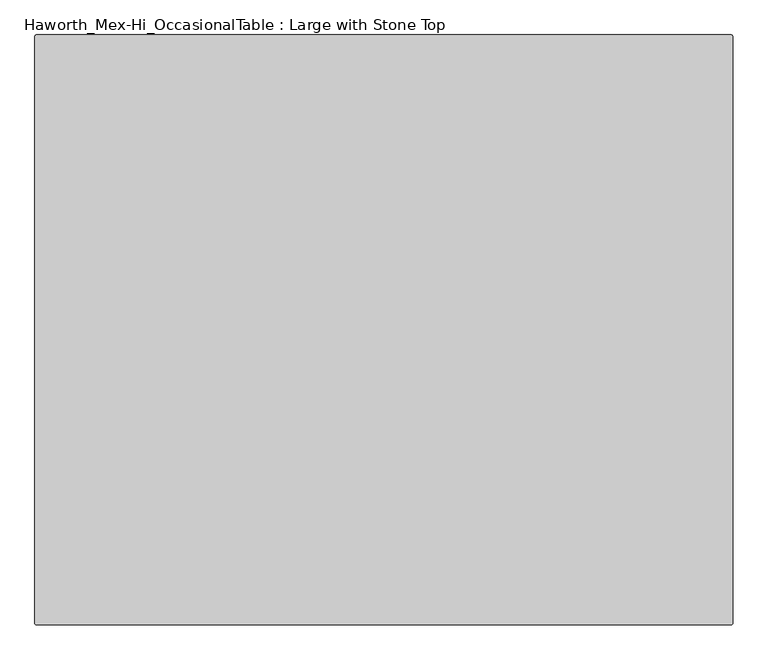
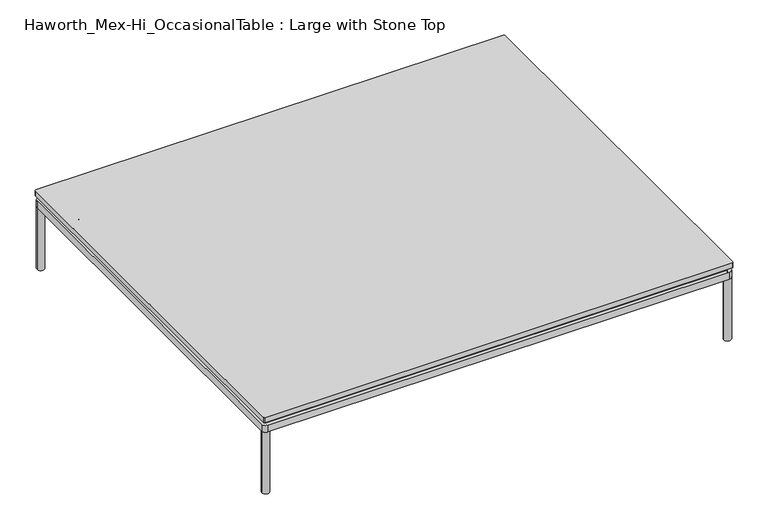
"""IFC4 building model written with IfcOpenShell, lengths in millimetres: furniture geometry, Haworth_Mex-Hi_OccasionalTable : Large with Stone Top."""

from ifc_helpers import new_model, si_unit, point, frame, frame_2d, origin, origin_with_axes, place, context, project, spatial, polyline, circle_curve, trimmed, segment, composite_curve, outline, extrude, source, transform, mapped, element, save
from ifc_brep_helpers import plane_surface, cylinder_surface, advanced_brep


def haworth_mex_hi_occasionaltable_large_with_stone_top_660dfce0(model_context):
    return source(origin(), model_context, "Body", "SolidModel", [
        extrude(outline(composite_curve([segment(trimmed(circle_curve(frame_2d((492.2547118, 255.27)), 2.54), [point((492.2547118, 257.81))], [point((494.7947118, 255.27))], False, "CARTESIAN"), True, "CONTINUOUS"), segment(polyline([(494.7947118, 255.27), (494.7947118, -839.47)]), True, "CONTINUOUS"), segment(trimmed(circle_curve(frame_2d((492.2547118, -839.47)), 2.54), [point((494.7947118, -839.47))], [point((492.2547118, -842.01))], False, "CARTESIAN"), True, "CONTINUOUS"), segment(polyline([(492.2547118, -842.01), (-803.1452882, -842.01)]), True, "CONTINUOUS"), segment(trimmed(circle_curve(frame_2d((-803.1452882, -839.47)), 2.54), [point((-803.1452882, -842.01))], [point((-805.6852882, -839.47))], False, "CARTESIAN"), True, "CONTINUOUS"), segment(polyline([(-805.6852882, -839.47), (-805.6852882, 255.27)]), True, "CONTINUOUS"), segment(trimmed(circle_curve(frame_2d((-803.1452882, 255.27)), 2.54), [point((-805.6852882, 255.27))], [point((-803.1452882, 257.81))], False, "CARTESIAN"), True, "CONTINUOUS"), segment(polyline([(-803.1452882, 257.81), (492.2547118, 257.81)]), True, "CONTINUOUS")], self_intersect=False)), frame((0.0, 0.0, 210.5656929), z_axis=(0.0, 0.0, 1.0), x_axis=(1.0, 0.0, 0.0)), (0.0, 0.0, 1.0), 15.2403071),
        extrude(outline(composite_curve([segment(trimmed(circle_curve(frame_2d((-793.7438099, 245.8600121)), 1.9413078), [point((-795.6851177, 245.8600121))], [point((-793.7438099, 247.8013198))], False, "CARTESIAN"), True, "CONTINUOUS"), segment(polyline([(-793.7438099, 247.8013198), (482.7909315, 247.8013198)]), True, "CONTINUOUS"), segment(trimmed(circle_curve(frame_2d((482.7909315, 245.7941911)), 2.0071288), [point((482.7909315, 247.8013198))], [point((484.7980603, 245.7941911))], False, "CARTESIAN"), True, "CONTINUOUS"), segment(polyline([(484.7980603, 245.7941911), (484.7980603, -830.0202885)]), True, "CONTINUOUS"), segment(trimmed(circle_curve(frame_2d((482.7963356, -830.0202885)), 2.0017246), [point((484.7980603, -830.0202885))], [point((482.7963356, -832.0220131))], False, "CARTESIAN"), True, "CONTINUOUS"), segment(polyline([(482.7963356, -832.0220131), (-793.6865391, -832.0220131)]), True, "CONTINUOUS"), segment(trimmed(circle_curve(frame_2d((-793.6865391, -830.0234345)), 1.9985786), [point((-793.6865391, -832.0220131))], [point((-795.6851177, -830.0234345))], False, "CARTESIAN"), True, "CONTINUOUS"), segment(polyline([(-795.6851177, -830.0234345), (-795.6851177, 245.8600121)]), True, "CONTINUOUS")], self_intersect=False)), frame((0.0, 0.0, 200.6639327), z_axis=(0.0, 0.0, 1.0), x_axis=(1.0, 0.0, 0.0)), (0.0, 0.0, 1.0), 8.6983971),
        extrude(outline(composite_curve([segment(trimmed(circle_curve(frame_2d((-734.5485908, -768.4918899)), 0.8405923), [point((-734.1762907, -769.2455397))], [point((-735.2478371, -768.9584197))], False, "CARTESIAN"), True, "CONTINUOUS"), segment(trimmed(circle_curve(frame_2d((-716.0123929, -752.9681431)), 25.0138214), [point((-735.2478371, -768.9584197))], [point((-739.4781008, -761.6313881))], False, "CARTESIAN"), True, "CONTINUOUS"), segment(trimmed(circle_curve(frame_2d((-738.5030497, -761.3200964)), 1.0235365), [point((-739.4781008, -761.6313881))], [point((-739.0770727, -760.472674))], False, "CARTESIAN"), True, "CONTINUOUS"), segment(trimmed(circle_curve(frame_2d((-759.3974109, -730.4740319)), 36.2330605), [point((-739.0770727, -760.472674))], [point((-723.2576556, -733.07264))], True, "CARTESIAN"), True, "CONTINUOUS"), segment(trimmed(circle_curve(frame_2d((-722.2381008, -733.1459505)), 1.0221871), [point((-723.2576556, -733.07264))], [point((-722.4469831, -732.1453333))], False, "CARTESIAN"), True, "CONTINUOUS"), segment(trimmed(circle_curve(frame_2d((-718.2244211, -752.3728401)), 20.6635442), [point((-722.4469831, -732.1453333))], [point((-714.0018591, -732.1453333))], False, "CARTESIAN"), True, "CONTINUOUS"), segment(trimmed(circle_curve(frame_2d((-714.2108273, -733.1463624)), 1.0226079), [point((-714.0018591, -732.1453333))], [point((-713.1908621, -733.072893))], False, "CARTESIAN"), True, "CONTINUOUS"), segment(trimmed(circle_curve(frame_2d((-677.8017646, -730.9076737)), 35.4552732), [point((-713.1908621, -733.072893))], [point((-697.3714482, -760.4729215))], True, "CARTESIAN"), True, "CONTINUOUS"), segment(trimmed(circle_curve(frame_2d((-697.8841782, -761.2984642)), 0.971809), [point((-697.3714482, -760.4729215))], [point((-696.9743802, -761.6400494))], False, "CARTESIAN"), True, "CONTINUOUS"), segment(trimmed(circle_curve(frame_2d((-721.1201172, -752.5744916)), 25.79149), [point((-696.9743802, -761.6400494))], [point((-701.1962454, -768.9525343))], False, "CARTESIAN"), True, "CONTINUOUS"), segment(trimmed(circle_curve(frame_2d((-701.9409291, -768.3403811)), 0.9639946), [point((-701.1962454, -768.9525343))], [point((-702.2725515, -769.2455397))], False, "CARTESIAN"), True, "CONTINUOUS"), segment(trimmed(circle_curve(frame_2d((-718.2244211, -801.5370245)), 36.0166924), [point((-702.2725515, -769.2455397))], [point((-734.1762907, -769.2455397))], True, "CARTESIAN"), True, "CONTINUOUS")], self_intersect=False)), frame((0.0, 0.0, 165.7894444), z_axis=(0.0, 0.0, 1.0), x_axis=(1.0, 0.0, 0.0)), (0.0, 0.0, 1.0), 9.7910462),
        extrude(outline(composite_curve([segment(trimmed(circle_curve(frame_2d((-718.2242758, -754.2455832)), 3.9922173), [point((-714.2320585, -754.2455832))], [point((-722.216493, -754.2455832))], False, "CARTESIAN"), True, "CONTINUOUS"), segment(trimmed(circle_curve(frame_2d((-718.2242758, -754.2455832)), 3.9922173), [point((-722.216493, -754.2455832))], [point((-714.2320585, -754.2455832))], False, "CARTESIAN"), True, "CONTINUOUS")], self_intersect=False)), frame((0.0, 0.0, 170.7645404), z_axis=(0.0, 0.0, 1.0), x_axis=(1.0, 0.0, 0.0)), (0.0, 0.0, 1.0), 38.5901772),
        extrude(outline(composite_curve([segment(trimmed(circle_curve(frame_2d((-718.2242758, -754.2455832)), 9.4525726), [point((-708.7717031, -754.2455832))], [point((-727.6768484, -754.2455832))], False, "CARTESIAN"), True, "CONTINUOUS"), segment(trimmed(circle_curve(frame_2d((-718.2242758, -754.2455832)), 9.4525726), [point((-727.6768484, -754.2455832))], [point((-708.7717031, -754.2455832))], False, "CARTESIAN"), True, "CONTINUOUS")], self_intersect=False)), frame((0.0, 0.0, 200.6639145), z_axis=(0.0, 0.0, 1.0), x_axis=(1.0, 0.0, 0.0)), (0.0, 0.0, 1.0), 5.0787766),
        extrude(outline(composite_curve([segment(trimmed(circle_curve(frame_2d((-718.2242758, -754.2455832)), 9.4525726), [point((-708.7717031, -754.2455832))], [point((-727.6768484, -754.2455832))], False, "CARTESIAN"), True, "CONTINUOUS"), segment(trimmed(circle_curve(frame_2d((-718.2242758, -754.2455832)), 9.4525726), [point((-727.6768484, -754.2455832))], [point((-708.7717031, -754.2455832))], False, "CARTESIAN"), True, "CONTINUOUS")], self_intersect=False)), frame((0.0, 0.0, 175.5804905), z_axis=(0.0, 0.0, 1.0), x_axis=(1.0, 0.0, 0.0)), (0.0, 0.0, 1.0), 5.0787766),
        extrude(outline(composite_curve([segment(trimmed(circle_curve(frame_2d((396.8166573, -801.5370245)), 36.0166924), [point((412.7685269, -769.2455397))], [point((380.8647877, -769.2455397))], True, "CARTESIAN"), True, "CONTINUOUS"), segment(trimmed(circle_curve(frame_2d((380.5331653, -768.3403811)), 0.9639946), [point((380.8647877, -769.2455397))], [point((379.7884816, -768.9525343))], False, "CARTESIAN"), True, "CONTINUOUS"), segment(trimmed(circle_curve(frame_2d((399.7123534, -752.5744916)), 25.79149), [point((379.7884816, -768.9525343))], [point((375.5666164, -761.6400494))], False, "CARTESIAN"), True, "CONTINUOUS"), segment(trimmed(circle_curve(frame_2d((376.4764144, -761.2984642)), 0.971809), [point((375.5666164, -761.6400494))], [point((375.9636844, -760.4729215))], False, "CARTESIAN"), True, "CONTINUOUS"), segment(trimmed(circle_curve(frame_2d((356.3940008, -730.9076737)), 35.4552732), [point((375.9636844, -760.4729215))], [point((391.7830983, -733.072893))], True, "CARTESIAN"), True, "CONTINUOUS"), segment(trimmed(circle_curve(frame_2d((392.8030635, -733.1463624)), 1.0226079), [point((391.7830983, -733.072893))], [point((392.5940953, -732.1453333))], False, "CARTESIAN"), True, "CONTINUOUS"), segment(trimmed(circle_curve(frame_2d((396.8166573, -752.3728401)), 20.6635442), [point((392.5940953, -732.1453333))], [point((401.0392193, -732.1453333))], False, "CARTESIAN"), True, "CONTINUOUS"), segment(trimmed(circle_curve(frame_2d((400.830337, -733.1459505)), 1.0221871), [point((401.0392193, -732.1453333))], [point((401.8498918, -733.07264))], False, "CARTESIAN"), True, "CONTINUOUS"), segment(trimmed(circle_curve(frame_2d((437.9896471, -730.4740319)), 36.2330605), [point((401.8498918, -733.07264))], [point((417.6693089, -760.472674))], True, "CARTESIAN"), True, "CONTINUOUS"), segment(trimmed(circle_curve(frame_2d((417.0952859, -761.3200964)), 1.0235365), [point((417.6693089, -760.472674))], [point((418.070337, -761.6313881))], False, "CARTESIAN"), True, "CONTINUOUS"), segment(trimmed(circle_curve(frame_2d((394.604629, -752.9681431)), 25.0138214), [point((418.070337, -761.6313881))], [point((413.8400733, -768.9584197))], False, "CARTESIAN"), True, "CONTINUOUS"), segment(trimmed(circle_curve(frame_2d((413.140827, -768.4918899)), 0.8405923), [point((413.8400733, -768.9584197))], [point((412.7685269, -769.2455397))], False, "CARTESIAN"), True, "CONTINUOUS")], self_intersect=False)), frame((0.0, 0.0, 165.7894444), z_axis=(0.0, 0.0, 1.0), x_axis=(1.0, 0.0, 0.0)), (0.0, 0.0, 1.0), 9.7910462),
        extrude(outline(composite_curve([segment(trimmed(circle_curve(frame_2d((396.816512, -754.2455832)), 3.9922173), [point((392.8242947, -754.2455832))], [point((400.8087292, -754.2455832))], False, "CARTESIAN"), True, "CONTINUOUS"), segment(trimmed(circle_curve(frame_2d((396.816512, -754.2455832)), 3.9922173), [point((400.8087292, -754.2455832))], [point((392.8242947, -754.2455832))], False, "CARTESIAN"), True, "CONTINUOUS")], self_intersect=False)), frame((0.0, 0.0, 170.7645404), z_axis=(0.0, 0.0, 1.0), x_axis=(1.0, 0.0, 0.0)), (0.0, 0.0, 1.0), 38.5901772),
        extrude(outline(composite_curve([segment(trimmed(circle_curve(frame_2d((396.816512, -754.2455832)), 9.4525726), [point((387.3639393, -754.2455832))], [point((406.2690846, -754.2455832))], False, "CARTESIAN"), True, "CONTINUOUS"), segment(trimmed(circle_curve(frame_2d((396.816512, -754.2455832)), 9.4525726), [point((406.2690846, -754.2455832))], [point((387.3639393, -754.2455832))], False, "CARTESIAN"), True, "CONTINUOUS")], self_intersect=False)), frame((0.0, 0.0, 200.6639145), z_axis=(0.0, 0.0, 1.0), x_axis=(1.0, 0.0, 0.0)), (0.0, 0.0, 1.0), 5.0787766),
        extrude(outline(composite_curve([segment(trimmed(circle_curve(frame_2d((396.816512, -754.2455832)), 9.4525726), [point((387.3639393, -754.2455832))], [point((406.2690846, -754.2455832))], False, "CARTESIAN"), True, "CONTINUOUS"), segment(trimmed(circle_curve(frame_2d((396.816512, -754.2455832)), 9.4525726), [point((406.2690846, -754.2455832))], [point((387.3639393, -754.2455832))], False, "CARTESIAN"), True, "CONTINUOUS")], self_intersect=False)), frame((0.0, 0.0, 175.5804905), z_axis=(0.0, 0.0, 1.0), x_axis=(1.0, 0.0, 0.0)), (0.0, 0.0, 1.0), 5.0787766),
        extrude(outline(composite_curve([segment(trimmed(circle_curve(frame_2d((-734.5485908, 155.518788)), 0.8405923), [point((-734.1762907, 154.7651382))], [point((-735.2478371, 155.0522582))], False, "CARTESIAN"), True, "CONTINUOUS"), segment(trimmed(circle_curve(frame_2d((-716.0123929, 171.0425348)), 25.0138214), [point((-735.2478371, 155.0522582))], [point((-739.4781008, 162.3792898))], False, "CARTESIAN"), True, "CONTINUOUS"), segment(trimmed(circle_curve(frame_2d((-738.5030497, 162.6905815)), 1.0235365), [point((-739.4781008, 162.3792898))], [point((-739.0770727, 163.5380039))], False, "CARTESIAN"), True, "CONTINUOUS"), segment(trimmed(circle_curve(frame_2d((-759.3974109, 193.536646)), 36.2330605), [point((-739.0770727, 163.5380039))], [point((-723.2576556, 190.9380379))], True, "CARTESIAN"), True, "CONTINUOUS"), segment(trimmed(circle_curve(frame_2d((-722.2381008, 190.8647274)), 1.0221871), [point((-723.2576556, 190.9380379))], [point((-722.4469831, 191.8653446))], False, "CARTESIAN"), True, "CONTINUOUS"), segment(trimmed(circle_curve(frame_2d((-718.2244211, 171.6378378)), 20.6635442), [point((-722.4469831, 191.8653446))], [point((-714.0018591, 191.8653446))], False, "CARTESIAN"), True, "CONTINUOUS"), segment(trimmed(circle_curve(frame_2d((-714.2108273, 190.8643155)), 1.0226079), [point((-714.0018591, 191.8653446))], [point((-713.1908621, 190.9377849))], False, "CARTESIAN"), True, "CONTINUOUS"), segment(trimmed(circle_curve(frame_2d((-677.8017646, 193.1030042)), 35.4552732), [point((-713.1908621, 190.9377849))], [point((-697.3714482, 163.5377564))], True, "CARTESIAN"), True, "CONTINUOUS"), segment(trimmed(circle_curve(frame_2d((-697.8841782, 162.7122137)), 0.971809), [point((-697.3714482, 163.5377564))], [point((-696.9743802, 162.3706285))], False, "CARTESIAN"), True, "CONTINUOUS"), segment(trimmed(circle_curve(frame_2d((-721.1201172, 171.4361863)), 25.79149), [point((-696.9743802, 162.3706285))], [point((-701.1962454, 155.0581436))], False, "CARTESIAN"), True, "CONTINUOUS"), segment(trimmed(circle_curve(frame_2d((-701.9409291, 155.6702968)), 0.9639946), [point((-701.1962454, 155.0581436))], [point((-702.2725515, 154.7651382))], False, "CARTESIAN"), True, "CONTINUOUS"), segment(trimmed(circle_curve(frame_2d((-718.2244211, 122.4736534)), 36.0166924), [point((-702.2725515, 154.7651382))], [point((-734.1762907, 154.7651382))], True, "CARTESIAN"), True, "CONTINUOUS")], self_intersect=False)), frame((0.0, 0.0, 165.7894444), z_axis=(0.0, 0.0, 1.0), x_axis=(1.0, 0.0, 0.0)), (0.0, 0.0, 1.0), 9.7910462),
        extrude(outline(composite_curve([segment(trimmed(circle_curve(frame_2d((-718.2242758, 169.7650947)), 3.9922173), [point((-714.2320585, 169.7650947))], [point((-722.216493, 169.7650947))], False, "CARTESIAN"), True, "CONTINUOUS"), segment(trimmed(circle_curve(frame_2d((-718.2242758, 169.7650947)), 3.9922173), [point((-722.216493, 169.7650947))], [point((-714.2320585, 169.7650947))], False, "CARTESIAN"), True, "CONTINUOUS")], self_intersect=False)), frame((0.0, 0.0, 170.7645404), z_axis=(0.0, 0.0, 1.0), x_axis=(1.0, 0.0, 0.0)), (0.0, 0.0, 1.0), 38.5901772),
        extrude(outline(composite_curve([segment(trimmed(circle_curve(frame_2d((-718.2242758, 169.7650947)), 9.4525726), [point((-708.7717031, 169.7650947))], [point((-727.6768484, 169.7650947))], False, "CARTESIAN"), True, "CONTINUOUS"), segment(trimmed(circle_curve(frame_2d((-718.2242758, 169.7650947)), 9.4525726), [point((-727.6768484, 169.7650947))], [point((-708.7717031, 169.7650947))], False, "CARTESIAN"), True, "CONTINUOUS")], self_intersect=False)), frame((0.0, 0.0, 200.6639145), z_axis=(0.0, 0.0, 1.0), x_axis=(1.0, 0.0, 0.0)), (0.0, 0.0, 1.0), 5.0787766),
        extrude(outline(composite_curve([segment(trimmed(circle_curve(frame_2d((-718.2242758, 169.7650947)), 9.4525726), [point((-708.7717031, 169.7650947))], [point((-727.6768484, 169.7650947))], False, "CARTESIAN"), True, "CONTINUOUS"), segment(trimmed(circle_curve(frame_2d((-718.2242758, 169.7650947)), 9.4525726), [point((-727.6768484, 169.7650947))], [point((-708.7717031, 169.7650947))], False, "CARTESIAN"), True, "CONTINUOUS")], self_intersect=False)), frame((0.0, 0.0, 175.5804905), z_axis=(0.0, 0.0, 1.0), x_axis=(1.0, 0.0, 0.0)), (0.0, 0.0, 1.0), 5.0787766),
        advanced_brep(
        [(387.3639393, 169.7650947, 180.6592671), (406.2690846, 169.7650947, 180.6592671), (400.8087292, 169.7650947, 180.6592671), (392.8242947, 169.7650947, 180.6592671), (387.3639393, 169.7650947, 175.5804905), (406.2690846, 169.7650947, 175.5804905), (392.8242947, 169.7650947, 175.5804905), (400.8087292, 169.7650947, 175.5804905), (387.3639393, 169.7650947, 205.742691), (406.2690846, 169.7650947, 205.742691), (400.8087292, 169.7650947, 205.742691), (392.8242947, 169.7650947, 205.742691), (387.3639393, 169.7650947, 200.6639145), (406.2690846, 169.7650947, 200.6639145), (392.8242947, 169.7650947, 200.6639145), (400.8087292, 169.7650947, 200.6639145), (392.8242947, 169.7650947, 209.3547176), (400.8087292, 169.7650947, 209.3547176), (392.8242947, 169.7650947, 170.7645404), (400.8087292, 169.7650947, 170.7645404)],
        [
            (0, 1, circle_curve(frame((396.816512, 169.7650947, 180.6592671), z_axis=(0.0, 0.0, 1.0), x_axis=(1.0, 0.0, 0.0)), 9.4525726)),
            (1, 0, circle_curve(frame((396.816512, 169.7650947, 180.6592671), z_axis=(0.0, 0.0, 1.0), x_axis=(1.0, 0.0, 0.0)), 9.4525726)),
            (2, 3, circle_curve(frame((396.816512, 169.7650947, 180.6592671), z_axis=(0.0, 0.0, -1.0), x_axis=(1.0, 0.0, 0.0)), 3.9922173)),
            (3, 2, circle_curve(frame((396.816512, 169.7650947, 180.6592671), z_axis=(0.0, 0.0, -1.0), x_axis=(1.0, 0.0, 0.0)), 3.9922173)),
            (4, 5, circle_curve(frame((396.816512, 169.7650947, 175.5804905), z_axis=(0.0, 0.0, -1.0), x_axis=(1.0, 0.0, 0.0)), 9.4525726)),
            (5, 4, circle_curve(frame((396.816512, 169.7650947, 175.5804905), z_axis=(0.0, 0.0, -1.0), x_axis=(1.0, 0.0, 0.0)), 9.4525726)),
            (6, 7, circle_curve(frame((396.816512, 169.7650947, 175.5804905), z_axis=(0.0, 0.0, 1.0), x_axis=(1.0, 0.0, 0.0)), 3.9922173)),
            (7, 6, circle_curve(frame((396.816512, 169.7650947, 175.5804905), z_axis=(0.0, 0.0, 1.0), x_axis=(1.0, 0.0, 0.0)), 3.9922173)),
            (0, 4),
            (5, 1),
            (8, 9, circle_curve(frame((396.816512, 169.7650947, 205.742691), z_axis=(0.0, 0.0, 1.0), x_axis=(1.0, 0.0, 0.0)), 9.4525726)),
            (9, 8, circle_curve(frame((396.816512, 169.7650947, 205.742691), z_axis=(0.0, 0.0, 1.0), x_axis=(1.0, 0.0, 0.0)), 9.4525726)),
            (10, 11, circle_curve(frame((396.816512, 169.7650947, 205.742691), z_axis=(0.0, 0.0, -1.0), x_axis=(1.0, 0.0, 0.0)), 3.9922173)),
            (11, 10, circle_curve(frame((396.816512, 169.7650947, 205.742691), z_axis=(0.0, 0.0, -1.0), x_axis=(1.0, 0.0, 0.0)), 3.9922173)),
            (12, 13, circle_curve(frame((396.816512, 169.7650947, 200.6639145), z_axis=(0.0, 0.0, -1.0), x_axis=(1.0, 0.0, 0.0)), 9.4525726)),
            (13, 12, circle_curve(frame((396.816512, 169.7650947, 200.6639145), z_axis=(0.0, 0.0, -1.0), x_axis=(1.0, 0.0, 0.0)), 9.4525726)),
            (14, 15, circle_curve(frame((396.816512, 169.7650947, 200.6639145), z_axis=(0.0, 0.0, 1.0), x_axis=(1.0, 0.0, 0.0)), 3.9922173)),
            (15, 14, circle_curve(frame((396.816512, 169.7650947, 200.6639145), z_axis=(0.0, 0.0, 1.0), x_axis=(1.0, 0.0, 0.0)), 3.9922173)),
            (8, 12),
            (13, 9),
            (16, 17, circle_curve(frame((396.816512, 169.7650947, 209.3547176), z_axis=(0.0, 0.0, 1.0), x_axis=(1.0, 0.0, 0.0)), 3.9922173)),
            (17, 16, circle_curve(frame((396.816512, 169.7650947, 209.3547176), z_axis=(0.0, 0.0, 1.0), x_axis=(1.0, 0.0, 0.0)), 3.9922173)),
            (18, 19, circle_curve(frame((396.816512, 169.7650947, 170.7645404), z_axis=(0.0, 0.0, -1.0), x_axis=(1.0, 0.0, 0.0)), 3.9922173)),
            (19, 18, circle_curve(frame((396.816512, 169.7650947, 170.7645404), z_axis=(0.0, 0.0, -1.0), x_axis=(1.0, 0.0, 0.0)), 3.9922173)),
            (16, 11),
            (10, 17),
            (19, 7),
            (6, 18),
            (14, 3),
            (2, 15),
        ],
        [
            plane_surface(frame((406.2690846, 169.7650947, 180.6592671), z_axis=(0.0, 0.0, 1.0), x_axis=(0.0, 1.0, 0.0))),
            plane_surface(frame((406.2690846, 169.7650947, 175.5804905), z_axis=(0.0, 0.0, -1.0), x_axis=(0.0, -1.0, 0.0))),
            cylinder_surface(frame((396.816512, 169.7650947, 175.5804905), z_axis=(0.0, 0.0, 1.0), x_axis=(1.0, 0.0, 0.0)), 9.4525726),
            plane_surface(frame((406.2690846, 169.7650947, 205.742691), z_axis=(0.0, 0.0, 1.0), x_axis=(0.0, 1.0, 0.0))),
            plane_surface(frame((406.2690846, 169.7650947, 200.6639145), z_axis=(0.0, 0.0, -1.0), x_axis=(0.0, -1.0, 0.0))),
            cylinder_surface(frame((396.816512, 169.7650947, 200.6639145), z_axis=(0.0, 0.0, 1.0), x_axis=(1.0, 0.0, 0.0)), 9.4525726),
            plane_surface(frame((400.8087292, 169.7650947, 209.3547176), z_axis=(0.0, 0.0, 1.0), x_axis=(0.0, 1.0, 0.0))),
            plane_surface(frame((400.8087292, 169.7650947, 170.7645404), z_axis=(0.0, 0.0, -1.0), x_axis=(0.0, -1.0, 0.0))),
            cylinder_surface(frame((396.816512, 169.7650947, 170.7645404), z_axis=(0.0, 0.0, 1.0), x_axis=(1.0, 0.0, 0.0)), 3.9922173),
        ],
        [
            (0, [[1, 2], [3, 4]]),
            (1, [[5, 6], [7, 8]]),
            (2, [[-1, 9, -6, 10]]),
            (2, [[-2, -10, -5, -9]]),
            (3, [[11, 12], [13, 14]]),
            (4, [[15, 16], [17, 18]]),
            (5, [[-11, 19, -16, 20]]),
            (5, [[-12, -20, -15, -19]]),
            (6, [[21, 22]]),
            (7, [[23, 24]]),
            (8, [[-21, 25, -13, 26]]),
            (8, [[-24, 27, -7, 28]]),
            (8, [[29, -3, 30, -17]]),
            (8, [[-22, -26, -14, -25]]),
            (8, [[-23, -28, -8, -27]]),
            (8, [[-29, -18, -30, -4]]),
        ],
    ),
        extrude(outline(composite_curve([segment(trimmed(circle_curve(frame_2d((396.8166573, 122.4736534)), 36.0166924), [point((412.7685269, 154.7651382))], [point((380.8647877, 154.7651382))], True, "CARTESIAN"), True, "CONTINUOUS"), segment(trimmed(circle_curve(frame_2d((380.5331653, 155.6702968)), 0.9639946), [point((380.8647877, 154.7651382))], [point((379.7884816, 155.0581436))], False, "CARTESIAN"), True, "CONTINUOUS"), segment(trimmed(circle_curve(frame_2d((399.7123534, 171.4361863)), 25.79149), [point((379.7884816, 155.0581436))], [point((375.5666164, 162.3706285))], False, "CARTESIAN"), True, "CONTINUOUS"), segment(trimmed(circle_curve(frame_2d((376.4764144, 162.7122137)), 0.971809), [point((375.5666164, 162.3706285))], [point((375.9636844, 163.5377564))], False, "CARTESIAN"), True, "CONTINUOUS"), segment(trimmed(circle_curve(frame_2d((356.3940008, 193.1030042)), 35.4552732), [point((375.9636844, 163.5377564))], [point((391.7830983, 190.9377849))], True, "CARTESIAN"), True, "CONTINUOUS"), segment(trimmed(circle_curve(frame_2d((392.8030635, 190.8643155)), 1.0226079), [point((391.7830983, 190.9377849))], [point((392.5940953, 191.8653446))], False, "CARTESIAN"), True, "CONTINUOUS"), segment(trimmed(circle_curve(frame_2d((396.8166573, 171.6378378)), 20.6635442), [point((392.5940953, 191.8653446))], [point((401.0392193, 191.8653446))], False, "CARTESIAN"), True, "CONTINUOUS"), segment(trimmed(circle_curve(frame_2d((400.830337, 190.8647274)), 1.0221871), [point((401.0392193, 191.8653446))], [point((401.8498918, 190.9380379))], False, "CARTESIAN"), True, "CONTINUOUS"), segment(trimmed(circle_curve(frame_2d((437.9896471, 193.536646)), 36.2330605), [point((401.8498918, 190.9380379))], [point((417.6693089, 163.5380039))], True, "CARTESIAN"), True, "CONTINUOUS"), segment(trimmed(circle_curve(frame_2d((417.0952859, 162.6905815)), 1.0235365), [point((417.6693089, 163.5380039))], [point((418.070337, 162.3792898))], False, "CARTESIAN"), True, "CONTINUOUS"), segment(trimmed(circle_curve(frame_2d((394.604629, 171.0425348)), 25.0138214), [point((418.070337, 162.3792898))], [point((413.8400733, 155.0522582))], False, "CARTESIAN"), True, "CONTINUOUS"), segment(trimmed(circle_curve(frame_2d((413.140827, 155.518788)), 0.8405923), [point((413.8400733, 155.0522582))], [point((412.7685269, 154.7651382))], False, "CARTESIAN"), True, "CONTINUOUS")], self_intersect=False)), frame((0.0, 0.0, 165.7894444), z_axis=(0.0, 0.0, 1.0), x_axis=(1.0, 0.0, 0.0)), (0.0, 0.0, 1.0), 9.7910462),
        extrude(outline(polyline([(454.7958218, -738.9854681), (454.7958218, -769.2455397), (-765.6834606, -769.2455397), (-765.6834606, -738.9854681), (454.7958218, -738.9854681)])), frame((0.0, 0.0, 182.5080096), z_axis=(0.0, 0.0, 1.0), x_axis=(1.0, 0.0, 0.0)), (0.0, 0.0, 1.0), 18.1559049),
        extrude(outline(polyline([(454.7958218, -537.2533049), (454.7958218, -567.5133765), (-765.6834606, -567.5133765), (-765.6834606, -537.2533049), (454.7958218, -537.2533049)])), frame((0.0, 0.0, 182.5080096), z_axis=(0.0, 0.0, 1.0), x_axis=(1.0, 0.0, 0.0)), (0.0, 0.0, 1.0), 18.1559049),
        extrude(outline(polyline([(454.7958218, -335.4707087), (454.7958218, -365.7307803), (-765.6834606, -365.7307803), (-765.6834606, -335.4707087), (454.7958218, -335.4707087)])), frame((0.0, 0.0, 182.5080096), z_axis=(0.0, 0.0, 1.0), x_axis=(1.0, 0.0, 0.0)), (0.0, 0.0, 1.0), 18.1559049),
        extrude(outline(polyline([(454.7958218, 185.0252098), (454.7958218, 154.7651382), (-765.6834606, 154.7651382), (-765.6834606, 185.0252098), (454.7958218, 185.0252098)])), frame((0.0, 0.0, 182.5080096), z_axis=(0.0, 0.0, 1.0), x_axis=(1.0, 0.0, 0.0)), (0.0, 0.0, 1.0), 18.1559049),
        extrude(outline(polyline([(190.6386208, 160.3135818), (-774.9557372, 160.3137453), (-802.0272233, 176.9731213), (-802.0272233, 200.6601021), (-769.245576, 180.4867667), (185.0247737, 180.4866032), (217.8063484, 200.6598086), (217.8063484, 177.0397933), (190.6386208, 160.3135818)])), frame((-170.5782154, 0.0, 0.0), z_axis=(1.0, 0.0, 0.0), x_axis=(0.0, 1.0, 0.0)), (0.0, 0.0, 1.0), 30.2599248),
        extrude(outline(composite_curve([segment(trimmed(circle_curve(frame_2d((484.6347118, 247.65)), 10.16), [point((484.6347118, 257.81))], [point((494.7947118, 247.65))], False, "CARTESIAN"), True, "CONTINUOUS"), segment(polyline([(494.7947118, 247.65), (494.7947118, -831.85)]), True, "CONTINUOUS"), segment(trimmed(circle_curve(frame_2d((484.6347118, -831.85)), 10.16), [point((494.7947118, -831.85))], [point((484.6347118, -842.01))], False, "CARTESIAN"), True, "CONTINUOUS"), segment(polyline([(484.6347118, -842.01), (-795.5252882, -842.01)]), True, "CONTINUOUS"), segment(trimmed(circle_curve(frame_2d((-795.5252882, -831.85)), 10.16), [point((-795.5252882, -842.01))], [point((-805.6852882, -831.85))], False, "CARTESIAN"), True, "CONTINUOUS"), segment(polyline([(-805.6852882, -831.85), (-805.6852882, 247.65)]), True, "CONTINUOUS"), segment(trimmed(circle_curve(frame_2d((-795.5252882, 247.65)), 10.16), [point((-805.6852882, 247.65))], [point((-795.5252882, 257.81))], False, "CARTESIAN"), True, "CONTINUOUS"), segment(polyline([(-795.5252882, 257.81), (484.6347118, 257.81)]), True, "CONTINUOUS")], self_intersect=False), holes=[composite_curve([segment(polyline([(-793.6865391, -832.0220131), (482.7963356, -832.0220131)]), True, "CONTINUOUS"), segment(trimmed(circle_curve(frame_2d((482.7963356, -830.0202885)), 2.0017246), [point((482.7963356, -832.0220131))], [point((484.7980603, -830.0202885))], True, "CARTESIAN"), True, "CONTINUOUS"), segment(polyline([(484.7980603, -830.0202885), (484.7980603, 245.7941911)]), True, "CONTINUOUS"), segment(trimmed(circle_curve(frame_2d((482.7909315, 245.7941911)), 2.0071288), [point((484.7980603, 245.7941911))], [point((482.7909315, 247.8013198))], True, "CARTESIAN"), True, "CONTINUOUS"), segment(polyline([(482.7909315, 247.8013198), (-793.7438099, 247.8013198)]), True, "CONTINUOUS"), segment(trimmed(circle_curve(frame_2d((-793.7438099, 245.8600121)), 1.9413078), [point((-793.7438099, 247.8013198))], [point((-795.6851177, 245.8600121))], True, "CARTESIAN"), True, "CONTINUOUS"), segment(polyline([(-795.6851177, 245.8600121), (-795.6851177, -830.0234345)]), True, "CONTINUOUS"), segment(trimmed(circle_curve(frame_2d((-793.6865391, -830.0234345)), 1.9985786), [point((-795.6851177, -830.0234345))], [point((-793.6865391, -832.0220131))], True, "CARTESIAN"), True, "CONTINUOUS")], self_intersect=False)]), frame((0.0, 0.0, 180.8301142), z_axis=(0.0, 0.0, 1.0), x_axis=(1.0, 0.0, 0.0)), (0.0, 0.0, 1.0), 19.8338184),
        extrude(outline(composite_curve([segment(polyline([(482.8193838, -831.0234549), (-793.6852152, -831.0234549)]), True, "CONTINUOUS"), segment(trimmed(circle_curve(frame_2d((-793.6852152, -830.022038)), 1.0014169), [point((-793.6852152, -831.0234549))], [point((-794.6866321, -830.022038))], False, "CARTESIAN"), True, "CONTINUOUS"), segment(polyline([(-794.6866321, -830.022038), (-794.6866321, 245.7403667)]), True, "CONTINUOUS"), segment(trimmed(circle_curve(frame_2d((-793.6243099, 245.7403667)), 1.0623222), [point((-794.6866321, 245.7403667))], [point((-793.62431, 246.8026889))], False, "CARTESIAN"), True, "CONTINUOUS"), segment(polyline([(-793.62431, 246.8026889), (482.8079882, 246.8028345)]), True, "CONTINUOUS"), segment(trimmed(circle_curve(frame_2d((482.8079882, 245.811248)), 0.9915865), [point((482.8079882, 246.8028345))], [point((483.7995747, 245.811248))], False, "CARTESIAN"), True, "CONTINUOUS"), segment(polyline([(483.7995747, 245.811248), (483.7995747, -830.043264)]), True, "CONTINUOUS"), segment(trimmed(circle_curve(frame_2d((482.8193838, -830.043264)), 0.9801909), [point((483.7995747, -830.043264))], [point((482.8193838, -831.0234549))], False, "CARTESIAN"), True, "CONTINUOUS")], self_intersect=False), holes=[composite_curve([segment(polyline([(467.7876141, 232.8228736), (-778.6802636, 232.8228736)]), True, "CONTINUOUS"), segment(trimmed(circle_curve(frame_2d((-778.6802636, 230.7964657)), 2.0264079), [point((-778.6802636, 232.8228736))], [point((-780.7066715, 230.7964657))], True, "CARTESIAN"), True, "CONTINUOUS"), segment(polyline([(-780.7066715, 230.7964657), (-780.7066715, -814.9889467)]), True, "CONTINUOUS"), segment(trimmed(circle_curve(frame_2d((-778.6520513, -814.9889467)), 2.0546202), [point((-780.7066715, -814.9889467))], [point((-778.652051, -817.0435669))], True, "CARTESIAN"), True, "CONTINUOUS"), segment(polyline([(-778.652051, -817.0435669), (467.8179778, -817.0437486)]), True, "CONTINUOUS"), segment(trimmed(circle_curve(frame_2d((467.8179778, -815.0418214)), 2.0019272), [point((467.8179778, -817.0437486))], [point((469.819905, -815.0418208))], True, "CARTESIAN"), True, "CONTINUOUS"), segment(polyline([(469.819905, -815.0418208), (469.8196141, 230.7908742)]), True, "CONTINUOUS"), segment(trimmed(circle_curve(frame_2d((467.7876141, 230.7908736)), 2.032), [point((469.8196141, 230.7908742))], [point((467.7876141, 232.8228736))], True, "CARTESIAN"), True, "CONTINUOUS")], self_intersect=False)]), frame((0.0, 0.0, 180.8301142), z_axis=(0.0, 0.0, 1.0), x_axis=(1.0, 0.0, 0.0)), (0.0, 0.0, 1.0), 19.8338184),
        extrude(outline(composite_curve([segment(trimmed(circle_curve(frame_2d((467.7876141, 230.7908736)), 2.032), [point((467.7876141, 232.8228736))], [point((469.8196141, 230.7908742))], False, "CARTESIAN"), True, "CONTINUOUS"), segment(polyline([(469.8196141, 230.7908742), (469.8199045, -815.0418208)]), True, "CONTINUOUS"), segment(trimmed(circle_curve(frame_2d((467.8179772, -815.0418214)), 2.0019272), [point((469.8199045, -815.0418208))], [point((467.8179775, -817.0437486))], False, "CARTESIAN"), True, "CONTINUOUS"), segment(polyline([(467.8179775, -817.0437486), (-778.652051, -817.0435669)]), True, "CONTINUOUS"), segment(trimmed(circle_curve(frame_2d((-778.6520507, -814.9889461)), 2.0546208), [point((-778.652051, -817.0435669))], [point((-780.7066715, -814.9889461))], False, "CARTESIAN"), True, "CONTINUOUS"), segment(polyline([(-780.7066715, -814.9889461), (-780.7066715, 230.7964657)]), True, "CONTINUOUS"), segment(trimmed(circle_curve(frame_2d((-778.6802636, 230.7964657)), 2.0264079), [point((-780.7066715, 230.7964657))], [point((-778.6802636, 232.8228736))], False, "CARTESIAN"), True, "CONTINUOUS"), segment(polyline([(-778.6802636, 232.8228736), (467.7876141, 232.8228736)]), True, "CONTINUOUS")], self_intersect=False), holes=[polyline([(-765.6831699, -802.0272233), (454.7961125, -802.026969), (454.7958218, 217.8060577), (-765.6831699, 217.8063484), (-765.6831699, -802.0272233)])]), frame((0.0, 0.0, 180.8301142), z_axis=(0.0, 0.0, 1.0), x_axis=(1.0, 0.0, 0.0)), (0.0, 0.0, 1.0), 19.8336913),
        extrude(outline(composite_curve([segment(trimmed(circle_curve(frame_2d((484.7983509, -832.0220858)), 9.92796), [point((474.8703909, -832.0220858))], [point((494.726311, -832.0220858))], False, "CARTESIAN"), True, "CONTINUOUS"), segment(trimmed(circle_curve(frame_2d((484.7983509, -832.0220858)), 9.92796), [point((494.726311, -832.0220858))], [point((474.8703909, -832.0220858))], False, "CARTESIAN"), True, "CONTINUOUS")], self_intersect=False)), origin_with_axes(), (0.0, 0.0, 1.0), 180.8301142),
        extrude(outline(composite_curve([segment(trimmed(circle_curve(frame_2d((-795.6889272, -832.0220858)), 9.92796), [point((-805.6168873, -832.0220858))], [point((-785.7609672, -832.0220858))], False, "CARTESIAN"), True, "CONTINUOUS"), segment(trimmed(circle_curve(frame_2d((-795.6889272, -832.0220858)), 9.92796), [point((-785.7609672, -832.0220858))], [point((-805.6168873, -832.0220858))], False, "CARTESIAN"), True, "CONTINUOUS")], self_intersect=False)), origin_with_axes(), (0.0, 0.0, 1.0), 180.8301142),
        extrude(outline(composite_curve([segment(trimmed(circle_curve(frame_2d((484.7983509, 247.8220858)), 9.92796), [point((474.8703909, 247.8220858))], [point((494.726311, 247.8220858))], False, "CARTESIAN"), True, "CONTINUOUS"), segment(trimmed(circle_curve(frame_2d((484.7983509, 247.8220858)), 9.92796), [point((494.726311, 247.8220858))], [point((474.8703909, 247.8220858))], False, "CARTESIAN"), True, "CONTINUOUS")], self_intersect=False)), origin_with_axes(), (0.0, 0.0, 1.0), 180.8301142),
        extrude(outline(composite_curve([segment(trimmed(circle_curve(frame_2d((-795.6889272, 247.8220858)), 9.92796), [point((-805.6168873, 247.8220858))], [point((-785.7609672, 247.8220858))], False, "CARTESIAN"), True, "CONTINUOUS"), segment(trimmed(circle_curve(frame_2d((-795.6889272, 247.8220858)), 9.92796), [point((-785.7609672, 247.8220858))], [point((-805.6168873, 247.8220858))], False, "CARTESIAN"), True, "CONTINUOUS")], self_intersect=False)), origin_with_axes(), (0.0, 0.0, 1.0), 180.8301142),
    ])


if __name__ == "__main__":
    model = new_model("IFC4")
    model_context = context("Model", 3, world=origin())
    ifc_project = project(units=[si_unit("LENGTHUNIT", "METRE", prefix="MILLI")], contexts=[model_context])
    site = spatial("IfcSite", under=ifc_project)
    building = spatial("IfcBuilding", under=site)
    placement = place(None, origin())
    haworth_mex_hi_occasionaltable_large_with_stone_top_shape = haworth_mex_hi_occasionaltable_large_with_stone_top_660dfce0(model_context)
    element("IfcFurniture", 1, ObjectType="Haworth_Mex-Hi_OccasionalTable : Large with Stone Top", at=placement, inside=building, context=model_context, shape_type="MappedRepresentation", body=[
        mapped(haworth_mex_hi_occasionaltable_large_with_stone_top_shape, transform((0.0, 0.0, 0.0), x_axis=(1.0, 0.0, 0.0), y_axis=(0.0, 1.0, 0.0), z_axis=(0.0, 0.0, 1.0))),
    ])
    save(model, "model.ifc")
